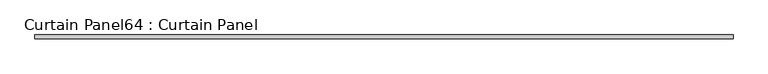
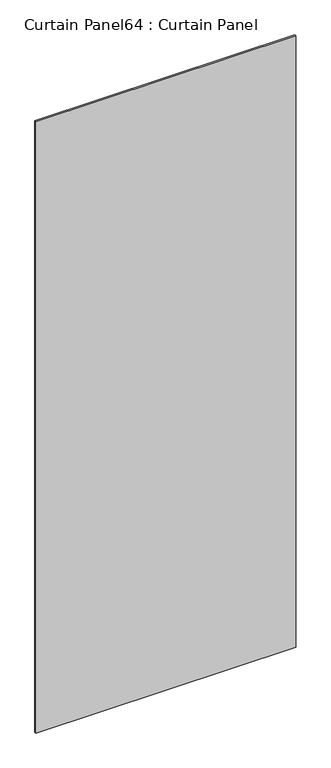
"""IFC4 building model written with IfcOpenShell, lengths in millimetres: plate geometry, Curtain Panel64 : Curtain Panel."""

from ifc_helpers import new_model, si_unit, frame, origin, place, context, project, spatial, polyline, outline, extrude, source, transform, mapped, element, save


def curtain_panel64_curtain_panel_bb6ba9d2(model_context):
    return source(origin(), model_context, "Body", "SweptSolid", [
        extrude(outline(polyline([(-15791.6905908, 9724.7124625), (-16966.4405949, 9724.7124625), (-16966.4405949, 9731.0624625), (-15791.6905908, 9731.0624625), (-15791.6905908, 9724.7124625)])), frame((0.0, 0.0, 63.5), z_axis=(0.0, 0.0, 1.0), x_axis=(1.0, 0.0, 0.0)), (0.0, 0.0, 1.0), 2921.0),
    ])


if __name__ == "__main__":
    model = new_model("IFC4")
    model_context = context("Model", 3, world=origin())
    ifc_project = project(units=[si_unit("LENGTHUNIT", "METRE", prefix="MILLI")], contexts=[model_context])
    site = spatial("IfcSite", under=ifc_project)
    building = spatial("IfcBuilding", under=site)
    placement = place(None, origin())
    curtain_panel64_curtain_panel_shape = curtain_panel64_curtain_panel_bb6ba9d2(model_context)
    element("IfcPlate", 1, ObjectType="Curtain Panel64 : Curtain Panel", at=placement, inside=building, context=model_context, shape_type="MappedRepresentation", body=[
        mapped(curtain_panel64_curtain_panel_shape, transform((0.0, 0.0, 0.0), x_axis=(1.0, 0.0, 0.0), y_axis=(0.0, 1.0, 0.0), z_axis=(0.0, 0.0, 1.0))),
    ])
    save(model, "model.ifc")
